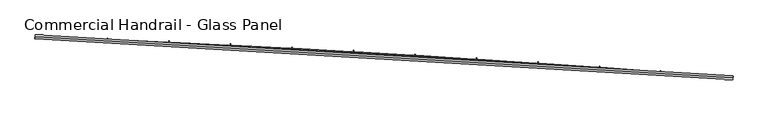
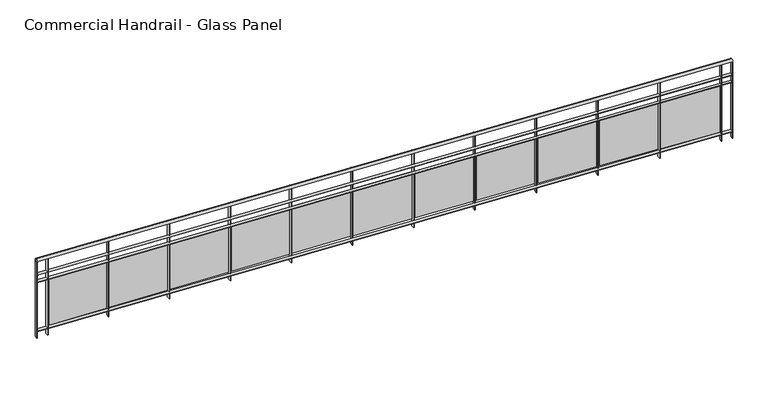
"""IFC4 building model written with IfcOpenShell, lengths in millimetres: railing geometry, Commercial Handrail - Glass Panel."""

import ifcopenshell
import ifcopenshell.guid

model = None  # the IFC model being written
_history = None  # IfcOwnerHistory: only IFC2X3 demands one
_inside = {}  # id of a spatial element -> (the spatial element, [elements in it])
_under = {}  # id of a project, library or spatial element -> (it, [spatial elements below it])
_declared = {}  # id of a project -> (the project, [libraries it declares])
_typed = {}  # id of a type object -> (the type object, [elements of that type])
_made_of = {}  # id of a material, layer set ... -> (it, [elements and type objects made of it])


def new_model(schema):
    """Start an empty IFC model of exactly this schema.

    Asked for "IFC4X3", IfcOpenShell would pick the latest addendum, in which some entities
    have other attributes; the version numbers below select the first issue.
    IFC2X3 requires an IfcOwnerHistory on every rooted entity: one is made here for all.
    """
    global model, _history
    if schema == "IFC4X3":
        model = ifcopenshell.file(schema_version=(4, 3, 0, 0))
    else:
        model = ifcopenshell.file(schema=schema)
    _inside.clear()
    _under.clear()
    _declared.clear()
    _typed.clear()
    _made_of.clear()
    _history = None
    if model.schema == "IFC2X3":
        org = make("IfcOrganization", Name="unknown")
        user = make(
            "IfcPersonAndOrganization",
            ThePerson=make("IfcPerson", FamilyName="unknown"),
            TheOrganization=org,
        )
        app = make(
            "IfcApplication",
            ApplicationDeveloper=org,
            Version="unknown",
            ApplicationFullName="unknown",
            ApplicationIdentifier="unknown",
        )
        _history = make(
            "IfcOwnerHistory",
            OwningUser=user,
            OwningApplication=app,
            ChangeAction="ADDED",
            CreationDate=0,
        )
    return model


def make(cls, **values):
    """One entity of the class cls with the attributes given. An attribute that is None is left unset."""
    return model.create_entity(
        cls, **{name: value for name, value in values.items() if value is not None}
    )


def rooted(cls, **values):
    """An entity with a GlobalId (a new one), such as an element, a storey or a relation."""
    return make(cls, GlobalId=ifcopenshell.guid.new(), OwnerHistory=_history, **values)


def si_unit(unit_type, name, prefix=None):
    """IfcSIUnit, for example si_unit("LENGTHUNIT", "METRE", prefix="MILLI")."""
    return make("IfcSIUnit", UnitType=unit_type, Prefix=prefix, Name=name)


def assignment(units):
    """IfcUnitAssignment: the units of a project."""
    return None if units is None else make("IfcUnitAssignment", Units=units)


def point(xyz):
    """IfcCartesianPoint."""
    return None if xyz is None else make("IfcCartesianPoint", Coordinates=xyz)


def direction(xyz):
    """IfcDirection."""
    return None if xyz is None else make("IfcDirection", DirectionRatios=xyz)


def frame(location, z_axis=None, x_axis=None):
    """IfcAxis2Placement3D, a coordinate frame: its origin and axes. An axis left out is left unset."""
    return make(
        "IfcAxis2Placement3D",
        Location=point(location),
        Axis=direction(z_axis),
        RefDirection=direction(x_axis),
    )


def origin():
    """The frame at (0, 0, 0) with its axes left unset."""
    return frame((0.0, 0.0, 0.0))


def place(relative_to, where):
    """IfcLocalPlacement: puts the frame where relative to a parent placement (None: the world)."""
    return make(
        "IfcLocalPlacement", PlacementRelTo=relative_to, RelativePlacement=where
    )


def context(
    kind, dimensions, precision=None, world=None, true_north=None, identifier=None
):
    """IfcGeometricRepresentationContext, for example the 3D "Model" context."""
    return make(
        "IfcGeometricRepresentationContext",
        ContextIdentifier=identifier,
        ContextType=kind,
        CoordinateSpaceDimension=dimensions,
        Precision=precision,
        WorldCoordinateSystem=world,
        TrueNorth=true_north,
    )


def project(units=None, contexts=None):
    """IfcProject with its units and contexts."""
    return rooted(
        "IfcProject",
        Name="project",
        RepresentationContexts=contexts,
        UnitsInContext=assignment(units),
    )


def spatial(cls, under=None, at=None, **own):
    """A site, building, storey or space (cls), placed at a placement, below another one or the project."""
    s = rooted(cls, ObjectPlacement=at, **own)
    if under is not None:
        _under.setdefault(under.id(), (under, []))[1].append(s)
    return s


def polyline(points):
    """IfcPolyline through the points."""
    return make("IfcPolyline", Points=[point(p) for p in points])


def circle_curve(where, radius):
    """IfcCircle in the frame where."""
    return make("IfcCircle", Position=where, Radius=radius)


def ellipse_curve(where, semi_axis1, semi_axis2):
    """IfcEllipse in the frame where."""
    return make(
        "IfcEllipse", Position=where, SemiAxis1=semi_axis1, SemiAxis2=semi_axis2
    )


def trimmed(basis, trim1, trim2, sense, master):
    """IfcTrimmedCurve: the piece of a basis curve between two trims."""
    return make(
        "IfcTrimmedCurve",
        BasisCurve=basis,
        Trim1=trim1,
        Trim2=trim2,
        SenseAgreement=sense,
        MasterRepresentation=master,
    )


def outline(outer, holes=None, kind="AREA"):
    """IfcArbitraryClosedProfileDef: a profile drawn as a closed curve; with holes, ...WithVoids."""
    if holes is None:
        return make("IfcArbitraryClosedProfileDef", ProfileType=kind, OuterCurve=outer)
    return make(
        "IfcArbitraryProfileDefWithVoids",
        ProfileType=kind,
        OuterCurve=outer,
        InnerCurves=holes,
    )


def extrude(swept, where, along, depth):
    """IfcExtrudedAreaSolid: the profile swept, set in the frame where, extruded along a direction by depth."""
    return make(
        "IfcExtrudedAreaSolid",
        SweptArea=swept,
        Position=where,
        ExtrudedDirection=direction(along),
        Depth=depth,
    )


def shape(context_of_items, identifier, shape_type, items):
    """IfcShapeRepresentation: the items that make up one representation, for example the "Body"."""
    return make(
        "IfcShapeRepresentation",
        ContextOfItems=context_of_items,
        RepresentationIdentifier=identifier,
        RepresentationType=shape_type,
        Items=items,
    )


def source(mapping_origin, context_of_items, identifier, shape_type, items):
    """IfcRepresentationMap: a shape defined once, which mapped items show again and again."""
    return make(
        "IfcRepresentationMap",
        MappingOrigin=mapping_origin,
        MappedRepresentation=shape(context_of_items, identifier, shape_type, items),
    )


def transform(
    local_origin,
    x_axis=None,
    y_axis=None,
    z_axis=None,
    scale=None,
    scale2=None,
    scale3=None,
    uniform=True,
):
    """IfcCartesianTransformationOperator3D, or its non-uniform kind. x_axis, y_axis, z_axis: its Axis1, 2, 3."""
    if uniform:
        return make(
            "IfcCartesianTransformationOperator3D",
            Axis1=direction(x_axis),
            Axis2=direction(y_axis),
            LocalOrigin=point(local_origin),
            Scale=scale,
            Axis3=direction(z_axis),
        )
    return make(
        "IfcCartesianTransformationOperator3DnonUniform",
        Axis1=direction(x_axis),
        Axis2=direction(y_axis),
        LocalOrigin=point(local_origin),
        Scale=scale,
        Axis3=direction(z_axis),
        Scale2=scale2,
        Scale3=scale3,
    )


def mapped(mapping_source, mapping_target):
    """IfcMappedItem: shows the shape of a source again, moved by a transform."""
    return make(
        "IfcMappedItem", MappingSource=mapping_source, MappingTarget=mapping_target
    )


def made_of(thing, what):
    """Note that an element or type object is made of a material, layer set ...; save() writes the relation."""
    if what is not None:
        _made_of.setdefault(what.id(), (what, []))[1].append(thing)
    return thing


def element(
    cls,
    number,
    at=None,
    inside=None,
    cuts=None,
    type_object=None,
    material=None,
    context=None,
    identifier="Body",
    shape_type=None,
    held_by="IfcProductDefinitionShape",
    body=None,
    shapes=None,
    **own,
):
    """One element of the class cls, such as IfcWall. Its Tag is "e" and its number.

    at: its placement. inside: the storey or other place that contains it. cuts: it is an
    opening in that element (IfcRelVoidsElement). A single representation is given by context,
    identifier, shape_type and body (its items); several are given by shapes. held_by: the class
    of the entity that holds the representations. save() writes the other relations.
    """
    e = rooted(cls, Tag="e%d" % number, ObjectPlacement=at, **own)
    if body is not None:
        shapes = [shape(context, identifier, shape_type, body)]
    if shapes is not None:
        e.Representation = make(held_by, Representations=shapes)
    if inside is not None:
        _inside.setdefault(inside.id(), (inside, []))[1].append(e)
    if cuts is not None:
        rooted(
            "IfcRelVoidsElement", RelatingBuildingElement=cuts, RelatedOpeningElement=e
        )
    if type_object is not None:
        _typed.setdefault(type_object.id(), (type_object, []))[1].append(e)
    return made_of(e, material)


def aggregate(whole, parts):
    """IfcRelAggregates: a whole, such as a stair, and the parts it consists of."""
    return rooted("IfcRelAggregates", RelatingObject=whole, RelatedObjects=parts)


def save(model, path):
    """Write the relations noted so far, then the file.

    IfcRelAggregates (storeys below a building ...), IfcRelContainedInSpatialStructure (elements
    in a storey), IfcRelDefinesByType, IfcRelAssociatesMaterial and IfcRelDeclares: one each for
    every whole, place, type object, material and project.
    """
    for whole, parts in _under.values():
        aggregate(whole, parts)
    for where, things in _inside.values():
        rooted(
            "IfcRelContainedInSpatialStructure",
            RelatedElements=things,
            RelatingStructure=where,
        )
    for kind, things in _typed.values():
        rooted("IfcRelDefinesByType", RelatedObjects=things, RelatingType=kind)
    for what, things in _made_of.values():
        rooted("IfcRelAssociatesMaterial", RelatedObjects=things, RelatingMaterial=what)
    for by, libraries in _declared.values():
        rooted("IfcRelDeclares", RelatingContext=by, RelatedDefinitions=libraries)
    model.write(path)


def plane_surface(at):
    """IfcPlane: the flat surface through the origin of the frame at, square to its z axis."""
    return make("IfcPlane", Position=at)


def cylinder_surface(at, radius):
    """IfcCylindricalSurface: all points at the distance radius from the z axis of the frame at."""
    return make("IfcCylindricalSurface", Position=at, Radius=radius)


def revolved_surface(curve, axis_point, axis_direction):
    """IfcSurfaceOfRevolution: the curve turned about the line through axis_point along axis_direction."""
    return make(
        "IfcSurfaceOfRevolution",
        SweptCurve=make("IfcArbitraryOpenProfileDef", ProfileType="CURVE", Curve=curve),
        AxisPosition=make("IfcAxis1Placement", Location=point(axis_point), Axis=direction(axis_direction)),
    )


def advanced_brep(points, edges, surfaces, faces):
    """IfcAdvancedBrep: a solid bounded by faces that lie on surfaces and meet in shared edges.

    An edge is (start, end): straight between two places in points (the first is 0);
    or (start, end, curve); or (start, end, curve, False) where it runs against its curve.
    A face is (place in surfaces, loops), or (place, loops, False) where it looks against
    its surface's normal. A loop lists edges by number (the first is 1), with a minus sign
    where the edge is run from its end to its start. The first loop is the outer one.
    """
    corners = [point(p) for p in points]
    vertices = [make("IfcVertexPoint", VertexGeometry=c) for c in corners]
    made = []
    for start, end, *more in edges:
        made.append(
            make(
                "IfcEdgeCurve",
                EdgeStart=vertices[start],
                EdgeEnd=vertices[end],
                EdgeGeometry=more[0] if more else make("IfcPolyline", Points=[corners[start], corners[end]]),
                SameSense=more[1] if len(more) > 1 else True,
            )
        )
    hull = []
    for where, loops, *sense in faces:
        bounds = []
        for j, loop in enumerate(loops):
            ring = [make("IfcOrientedEdge", EdgeElement=made[abs(k) - 1], Orientation=k > 0) for k in loop]
            bounds.append(
                make(
                    "IfcFaceOuterBound" if j == 0 else "IfcFaceBound",
                    Bound=make("IfcEdgeLoop", EdgeList=ring),
                    Orientation=True,
                )
            )
        hull.append(make("IfcAdvancedFace", Bounds=bounds, FaceSurface=surfaces[where], SameSense=sense[0] if sense else True))
    return make("IfcAdvancedBrep", Outer=make("IfcClosedShell", CfsFaces=hull))


def commercial_handrail_glass_panel_9d177dbd(model_context):
    return source(origin(), model_context, "Body", "SolidModel", [
        advanced_brep(
        [(118318.4035087, -32849.2717188, 6082.5), (127382.7214131, -33380.8122629, 6082.5), (127382.7214131, -33380.8122629, 6117.5), (118318.4035087, -32849.2717188, 6117.5)],
        [
            (0, 1, circle_curve(frame((108840.1585672, -272033.3263712, 6082.5), z_axis=(0.0, 0.0, -1.0), x_axis=(0.07746344550314502, 0.9969951928724538, 0.0)), 239371.7801395)),
            (1, 2, ellipse_curve(frame((127382.7214131, -33380.8122629, 6100.0), z_axis=(-0.9969951928724543, 0.07746344550313858, 0.0), x_axis=(0.07746344550313858, 0.9969951928724543, 0.0)), 25.0, 17.5)),
            (2, 3, circle_curve(frame((108840.1585672, -272033.3263712, 6117.5), z_axis=(0.0, 0.0, 1.0), x_axis=(0.07746344550314502, 0.9969951928724538, 0.0)), 239371.7801395)),
            (3, 0, ellipse_curve(frame((118318.4035087, -32849.2717188, 6100.0), z_axis=(0.9992157576513465, -0.03959633393694332, 0.0), x_axis=(0.03959633393694331, 0.9992157576513463, 0.0)), 25.0, 17.5)),
            (2, 1, ellipse_curve(frame((127382.7214131, -33380.8122629, 6100.0), z_axis=(-0.9969951928724543, 0.07746344550313858, 0.0), x_axis=(0.07746344550313858, 0.9969951928724543, 0.0)), 25.0, 17.5)),
            (0, 3, ellipse_curve(frame((118318.4035087, -32849.2717188, 6100.0), z_axis=(0.9992157576513465, -0.03959633393694332, 0.0), x_axis=(0.03959633393694331, 0.9992157576513463, 0.0)), 25.0, 17.5)),
        ],
        [
            revolved_surface(trimmed(ellipse_curve(frame((127382.7214131, -33380.8122629, 6100.0), z_axis=(0.9969951928724538, -0.07746344550314502, 0.0), x_axis=(0.0, 0.0, -1.0)), 17.5, 25.0), [point((127382.7214131, -33380.8122629, 6117.5))], [point((127382.7214131, -33380.8122629, 6082.5))], True, "CARTESIAN"), (108840.1585672, -272033.3263712, 6100.0), (0.0, 0.0, 1.0)),
            revolved_surface(trimmed(ellipse_curve(frame((127382.7214131, -33380.8122629, 6100.0), z_axis=(0.9969951928724538, -0.07746344550314502, 0.0), x_axis=(0.0, 0.0, -1.0)), 17.5, 25.0), [point((127382.7214131, -33380.8122629, 6082.5))], [point((127382.7214131, -33380.8122629, 6117.5))], True, "CARTESIAN"), (108840.1585672, -272033.3263712, 6100.0), (0.0, 0.0, 1.0)),
            plane_surface(frame((127382.7214131, -33380.8122629, 6100.0), z_axis=(0.9969951928724538, -0.07746344550314502, 0.0), x_axis=(0.07746344550314502, 0.9969951928724538, 0.0))),
            plane_surface(frame((118318.4035087, -32849.2717188, 6100.0), z_axis=(-0.9992157576513464, 0.03959633393694337, 0.0), x_axis=(0.03959633393694337, 0.9992157576513464, 0.0))),
        ],
        [
            (0, [[1, 2, 3, 4]]),
            (1, [[-3, 5, -1, 6]]),
            (2, [[-2, -5]]),
            (3, [[-6, -4]]),
        ],
    ),
        advanced_brep(
        [(118317.5125912, -32871.7540734, 5900.0), (127380.9784855, -33403.2446547, 5900.0), (127384.4643406, -33358.379871, 5900.0), (118319.2944262, -32826.7893643, 5900.0), (118317.5125912, -32871.7540734, 5894.0), (127380.9784855, -33403.2446547, 5894.0), (118319.2944262, -32826.7893643, 5894.0), (127384.4643406, -33358.379871, 5894.0)],
        [
            (0, 1, circle_curve(frame((108840.1585672, -272033.3263712, 5900.0), z_axis=(0.0, 0.0, -1.0), x_axis=(0.07746344550314502, 0.9969951928724538, 0.0)), 239349.2801395)),
            (1, 2),
            (2, 3, circle_curve(frame((108840.1585672, -272033.3263712, 5900.0), z_axis=(0.0, 0.0, 1.0), x_axis=(0.07746344550314502, 0.9969951928724538, 0.0)), 239394.2801395)),
            (3, 0),
            (4, 5, circle_curve(frame((108840.1585672, -272033.3263712, 5894.0), z_axis=(0.0, 0.0, -1.0), x_axis=(0.07746344550314502, 0.9969951928724538, 0.0)), 239349.2801395)),
            (5, 1),
            (0, 4),
            (6, 7, circle_curve(frame((108840.1585672, -272033.3263712, 5894.0), z_axis=(0.0, 0.0, -1.0), x_axis=(0.07746344550314502, 0.9969951928724538, 0.0)), 239394.2801395)),
            (7, 5),
            (4, 6),
            (2, 7),
            (6, 3),
        ],
        [
            plane_surface(frame((108840.1585672, -272033.3263712, 5900.0), z_axis=(0.0, 0.0, 1.0), x_axis=(0.07746344550314502, 0.9969951928724538, 0.0))),
            revolved_surface(polyline([(127380.97848550315, -33403.24465463619, 5900.0), (127380.97848550315, -33403.24465463619, 5894.0)]), (108840.1585672, -272033.3263712, 5900.0), (0.0, 0.0, 1.0)),
            plane_surface(frame((108840.1585672, -272033.3263712, 5894.0), z_axis=(0.0, 0.0, -1.0), x_axis=(0.07746344550314502, 0.9969951928724538, 0.0))),
            cylinder_surface(frame((108840.1585672, -272033.3263712, 5900.0), z_axis=(0.0, 0.0, 1.0), x_axis=(0.07746344550314502, 0.9969951928724538, 0.0)), 239394.2801395),
            plane_surface(frame((127382.7214131, -33380.8122629, 5900.0), z_axis=(0.9969951928724538, -0.07746344550314502, 0.0), x_axis=(0.07746344550314502, 0.9969951928724538, 0.0))),
            plane_surface(frame((118318.4035087, -32849.2717188, 5900.0), z_axis=(-0.9992157576513464, 0.03959633393694337, 0.0), x_axis=(0.03959633393694337, 0.9992157576513464, 0.0))),
        ],
        [
            (0, [[1, 2, 3, 4]]),
            (1, [[5, 6, -1, 7]]),
            (2, [[8, 9, -5, 10]]),
            (3, [[-3, 11, -8, 12]]),
            (4, [[-2, -6, -9, -11]]),
            (5, [[-12, -10, -7, -4]]),
        ],
    ),
        advanced_brep(
        [(118317.5125912, -32871.7540734, 5800.0), (127380.9784855, -33403.2446547, 5800.0), (127384.4643406, -33358.379871, 5800.0), (118319.2944262, -32826.7893643, 5800.0), (118317.5125912, -32871.7540734, 5794.0), (127380.9784855, -33403.2446547, 5794.0), (118319.2944262, -32826.7893643, 5794.0), (127384.4643406, -33358.379871, 5794.0)],
        [
            (0, 1, circle_curve(frame((108840.1585672, -272033.3263712, 5800.0), z_axis=(0.0, 0.0, -1.0), x_axis=(0.07746344550314502, 0.9969951928724538, 0.0)), 239349.2801395)),
            (1, 2),
            (2, 3, circle_curve(frame((108840.1585672, -272033.3263712, 5800.0), z_axis=(0.0, 0.0, 1.0), x_axis=(0.07746344550314502, 0.9969951928724538, 0.0)), 239394.2801395)),
            (3, 0),
            (4, 5, circle_curve(frame((108840.1585672, -272033.3263712, 5794.0), z_axis=(0.0, 0.0, -1.0), x_axis=(0.07746344550314502, 0.9969951928724538, 0.0)), 239349.2801395)),
            (5, 1),
            (0, 4),
            (6, 7, circle_curve(frame((108840.1585672, -272033.3263712, 5794.0), z_axis=(0.0, 0.0, -1.0), x_axis=(0.07746344550314502, 0.9969951928724538, 0.0)), 239394.2801395)),
            (7, 5),
            (4, 6),
            (2, 7),
            (6, 3),
        ],
        [
            plane_surface(frame((108840.1585672, -272033.3263712, 5800.0), z_axis=(0.0, 0.0, 1.0), x_axis=(0.07746344550314502, 0.9969951928724538, 0.0))),
            revolved_surface(polyline([(127380.97848550315, -33403.24465463619, 5800.0), (127380.97848550315, -33403.24465463619, 5794.0)]), (108840.1585672, -272033.3263712, 5800.0), (0.0, 0.0, 1.0)),
            plane_surface(frame((108840.1585672, -272033.3263712, 5794.0), z_axis=(0.0, 0.0, -1.0), x_axis=(0.07746344550314502, 0.9969951928724538, 0.0))),
            cylinder_surface(frame((108840.1585672, -272033.3263712, 5800.0), z_axis=(0.0, 0.0, 1.0), x_axis=(0.07746344550314502, 0.9969951928724538, 0.0)), 239394.2801395),
            plane_surface(frame((127382.7214131, -33380.8122629, 5800.0), z_axis=(0.9969951928724538, -0.07746344550314502, 0.0), x_axis=(0.07746344550314502, 0.9969951928724538, 0.0))),
            plane_surface(frame((118318.4035087, -32849.2717188, 5800.0), z_axis=(-0.9992157576513464, 0.03959633393694337, 0.0), x_axis=(0.03959633393694337, 0.9992157576513464, 0.0))),
        ],
        [
            (0, [[1, 2, 3, 4]]),
            (1, [[5, 6, -1, 7]]),
            (2, [[8, 9, -5, 10]]),
            (3, [[-3, 11, -8, 12]]),
            (4, [[-2, -6, -9, -11]]),
            (5, [[-12, -10, -7, -4]]),
        ],
    ),
        advanced_brep(
        [(118317.5125912, -32871.7540734, 5100.0), (127380.9784855, -33403.2446547, 5100.0), (127384.4643406, -33358.379871, 5100.0), (118319.2944262, -32826.7893643, 5100.0), (118317.5125912, -32871.7540734, 5094.0), (127380.9784855, -33403.2446547, 5094.0), (118319.2944262, -32826.7893643, 5094.0), (127384.4643406, -33358.379871, 5094.0)],
        [
            (0, 1, circle_curve(frame((108840.1585672, -272033.3263712, 5100.0), z_axis=(0.0, 0.0, -1.0), x_axis=(0.07746344550314502, 0.9969951928724538, 0.0)), 239349.2801395)),
            (1, 2),
            (2, 3, circle_curve(frame((108840.1585672, -272033.3263712, 5100.0), z_axis=(0.0, 0.0, 1.0), x_axis=(0.07746344550314502, 0.9969951928724538, 0.0)), 239394.2801395)),
            (3, 0),
            (4, 5, circle_curve(frame((108840.1585672, -272033.3263712, 5094.0), z_axis=(0.0, 0.0, -1.0), x_axis=(0.07746344550314502, 0.9969951928724538, 0.0)), 239349.2801395)),
            (5, 1),
            (0, 4),
            (6, 7, circle_curve(frame((108840.1585672, -272033.3263712, 5094.0), z_axis=(0.0, 0.0, -1.0), x_axis=(0.07746344550314502, 0.9969951928724538, 0.0)), 239394.2801395)),
            (7, 5),
            (4, 6),
            (2, 7),
            (6, 3),
        ],
        [
            plane_surface(frame((108840.1585672, -272033.3263712, 5100.0), z_axis=(0.0, 0.0, 1.0), x_axis=(0.07746344550314502, 0.9969951928724538, 0.0))),
            revolved_surface(polyline([(127380.97848550315, -33403.24465463619, 5100.0), (127380.97848550315, -33403.24465463619, 5094.0)]), (108840.1585672, -272033.3263712, 5100.0), (0.0, 0.0, 1.0)),
            plane_surface(frame((108840.1585672, -272033.3263712, 5094.0), z_axis=(0.0, 0.0, -1.0), x_axis=(0.07746344550314502, 0.9969951928724538, 0.0))),
            cylinder_surface(frame((108840.1585672, -272033.3263712, 5100.0), z_axis=(0.0, 0.0, 1.0), x_axis=(0.07746344550314502, 0.9969951928724538, 0.0)), 239394.2801395),
            plane_surface(frame((127382.7214131, -33380.8122629, 5100.0), z_axis=(0.9969951928724538, -0.07746344550314502, 0.0), x_axis=(0.07746344550314502, 0.9969951928724538, 0.0))),
            plane_surface(frame((118318.4035087, -32849.2717188, 5100.0), z_axis=(-0.9992157576513464, 0.03959633393694337, 0.0), x_axis=(0.03959633393694337, 0.9992157576513464, 0.0))),
        ],
        [
            (0, [[1, 2, 3, 4]]),
            (1, [[5, 6, -1, 7]]),
            (2, [[8, 9, -5, 10]]),
            (3, [[-3, 11, -8, 12]]),
            (4, [[-2, -6, -9, -11]]),
            (5, [[-12, -10, -7, -4]]),
        ],
    ),
        extrude(outline(polyline([(118462.4105775, -32832.5035492), (118460.6024038, -32877.4672068), (118454.6072494, -32877.226117), (118456.4154232, -32832.2624594), (118462.4105775, -32832.5035492)])), frame((0.0, 0.0, 5000.0), z_axis=(0.0, 0.0, 1.0), x_axis=(1.0, 0.0, 0.0)), (0.0, 0.0, 1.0), 1082.1192282),
        extrude(outline(polyline([(119237.5882112, -32893.169646), (118478.2540839, -32861.3626786), (118478.7562992, -32849.3731924), (119238.0904265, -32881.1801598), (119237.5882112, -32893.169646)])), frame((0.0, 0.0, 5120.0), z_axis=(0.0, 0.0, 1.0), x_axis=(1.0, 0.0, 0.0)), (0.0, 0.0, 1.0), 660.0),
        extrude(outline(polyline([(119261.7839982, -32865.9977164), (119259.8255626, -32910.9550799), (119253.8312475, -32910.6939552), (119255.789683, -32865.7365917), (119261.7839982, -32865.9977164)])), frame((0.0, 0.0, 5000.0), z_axis=(0.0, 0.0, 1.0), x_axis=(1.0, 0.0, 0.0)), (0.0, 0.0, 1.0), 1082.1192282),
        extrude(outline(polyline([(120036.754552, -32929.2541764), (119277.5309667, -32894.9096349), (119278.0732489, -32882.9218941), (120037.2968342, -32917.2664356), (120036.754552, -32929.2541764)])), frame((0.0, 0.0, 5120.0), z_axis=(0.0, 0.0, 1.0), x_axis=(1.0, 0.0, 0.0)), (0.0, 0.0, 1.0), 660.0),
        extrude(outline(polyline([(120061.0410145, -32902.1632628), (120058.932339, -32947.1138299), (120052.93893, -32946.8326732), (120055.0476055, -32901.8821061), (120061.0410145, -32902.1632628)])), frame((0.0, 0.0, 5000.0), z_axis=(0.0, 0.0, 1.0), x_axis=(1.0, 0.0, 0.0)), (0.0, 0.0, 1.0), 1082.1192282),
        extrude(outline(polyline([(120835.7958324, -32968.0093795), (120076.6912693, -32931.1276473), (120077.2736124, -32919.1417858), (120836.3781756, -32956.0235179), (120835.7958324, -32968.0093795)])), frame((0.0, 0.0, 5120.0), z_axis=(0.0, 0.0, 1.0), x_axis=(1.0, 0.0, 0.0)), (0.0, 0.0, 1.0), 660.0),
        extrude(outline(polyline([(120860.1726992, -32940.9997843), (120857.9138072, -32985.943053), (120851.9213714, -32985.6418675), (120854.1802633, -32940.6985987), (120860.1726992, -32940.9997843)])), frame((0.0, 0.0, 5000.0), z_axis=(0.0, 0.0, 1.0), x_axis=(1.0, 0.0, 0.0)), (0.0, 0.0, 1.0), 1082.1192282),
        extrude(outline(polyline([(121634.7031276, -33009.4348222), (120875.7260654, -32970.0163114), (120876.3484629, -32958.032463), (121635.3255252, -32997.4509738), (121634.7031276, -33009.4348222)])), frame((0.0, 0.0, 5120.0), z_axis=(0.0, 0.0, 1.0), x_axis=(1.0, 0.0, 0.0)), (0.0, 0.0, 1.0), 660.0),
        extrude(outline(polyline([(121659.1701263, -32982.5068471), (121656.7610432, -33027.4423155), (121650.7696474, -33027.1211044), (121653.1787305, -32982.1856361), (121659.1701263, -32982.5068471)])), frame((0.0, 0.0, 5000.0), z_axis=(0.0, 0.0, 1.0), x_axis=(1.0, 0.0, 0.0)), (0.0, 0.0, 1.0), 1082.1192282),
        extrude(outline(polyline([(122433.4675142, -33053.5300418), (121674.6264303, -33011.5751927), (121675.2888752, -32999.5934914), (122434.1299592, -33041.5483405), (122433.4675142, -33053.5300418)])), frame((0.0, 0.0, 5120.0), z_axis=(0.0, 0.0, 1.0), x_axis=(1.0, 0.0, 0.0)), (0.0, 0.0, 1.0), 660.0),
        extrude(outline(polyline([(122458.0243716, -33026.6839877), (122455.4651242, -33071.6111538), (122449.4748354, -33071.2699209), (122452.0340827, -33026.3427548), (122458.0243716, -33026.6839877)])), frame((0.0, 0.0, 5000.0), z_axis=(0.0, 0.0, 1.0), x_axis=(1.0, 0.0, 0.0)), (0.0, 0.0, 1.0), 1082.1192282),
        extrude(outline(polyline([(123232.0800703, -33100.2945459), (122473.3834406, -33055.8038271), (122474.0859256, -33043.8244066), (123232.7825553, -33088.3151255), (123232.0800703, -33100.2945459)])), frame((0.0, 0.0, 5120.0), z_axis=(0.0, 0.0, 1.0), x_axis=(1.0, 0.0, 0.0)), (0.0, 0.0, 1.0), 660.0),
        extrude(outline(polyline([(123256.726512, -33073.5307127), (123254.017129, -33118.4490746), (123248.0280141, -33118.0878236), (123250.7373971, -33073.1694616), (123256.726512, -33073.5307127)])), frame((0.0, 0.0, 5000.0), z_axis=(0.0, 0.0, 1.0), x_axis=(1.0, 0.0, 0.0)), (0.0, 0.0, 1.0), 1082.1192282),
        extrude(outline(polyline([(124030.5318758, -33149.7278122), (123271.9881746, -33102.7017206), (123272.7306918, -33090.7247148), (124031.2743931, -33137.7508064), (124030.5318758, -33149.7278122)])), frame((0.0, 0.0, 5120.0), z_axis=(0.0, 0.0, 1.0), x_axis=(1.0, 0.0, 0.0)), (0.0, 0.0, 1.0), 660.0),
        extrude(outline(polyline([(124055.2676267, -33123.0464986), (124052.4081383, -33167.9555548), (124046.4202641, -33167.5742897), (124049.2797526, -33122.6652335), (124055.2676267, -33123.0464986)])), frame((0.0, 0.0, 5000.0), z_axis=(0.0, 0.0, 1.0), x_axis=(1.0, 0.0, 0.0)), (0.0, 0.0, 1.0), 1082.1192282),
        extrude(outline(polyline([(124828.8140126, -33201.8292884), (124070.4317123, -33152.2683493), (124071.2142535, -33140.2938919), (124829.5965537, -33189.854831), (124828.8140126, -33201.8292884)])), frame((0.0, 0.0, 5120.0), z_axis=(0.0, 0.0, 1.0), x_axis=(1.0, 0.0, 0.0)), (0.0, 0.0, 1.0), 660.0),
        extrude(outline(polyline([(124853.6387962, -33175.2307926), (124850.6292343, -33220.1300413), (124844.6426678, -33219.7287664), (124847.6522297, -33174.8295177), (124853.6387962, -33175.2307926)])), frame((0.0, 0.0, 5000.0), z_axis=(0.0, 0.0, 1.0), x_axis=(1.0, 0.0, 0.0)), (0.0, 0.0, 1.0), 1082.1192282),
        extrude(outline(polyline([(125626.917564, -33256.5983926), (124868.7051355, -33204.5031595), (124869.5276919, -33192.5313844), (125627.7401203, -33244.6266175), (125626.917564, -33256.5983926)])), frame((0.0, 0.0, 5120.0), z_axis=(0.0, 0.0, 1.0), x_axis=(1.0, 0.0, 0.0)), (0.0, 0.0, 1.0), 660.0),
        extrude(outline(polyline([(125651.8311032, -33230.0830117), (125648.6715014, -33274.9719515), (125642.6863095, -33274.5506713), (125645.8459113, -33229.6617315), (125651.8311032, -33230.0830117)])), frame((0.0, 0.0, 5000.0), z_axis=(0.0, 0.0, 1.0), x_axis=(1.0, 0.0, 0.0)), (0.0, 0.0, 1.0), 1082.1192282),
        extrude(outline(polyline([(126424.8336158, -33314.0345132), (125666.7995279, -33259.405568), (125667.6620902, -33247.4366087), (126425.6961781, -33302.0655539), (126424.8336158, -33314.0345132)])), frame((0.0, 0.0, 5120.0), z_axis=(0.0, 0.0, 1.0), x_axis=(1.0, 0.0, 0.0)), (0.0, 0.0, 1.0), 660.0),
        extrude(outline(polyline([(126449.8356323, -33287.6025432), (126446.5260259, -33332.4806727), (126440.5422753, -33332.0393919), (126443.8518817, -33287.1612624), (126449.8356323, -33287.6025432)])), frame((0.0, 0.0, 5000.0), z_axis=(0.0, 0.0, 1.0), x_axis=(1.0, 0.0, 0.0)), (0.0, 0.0, 1.0), 1082.1192282),
        extrude(outline(polyline([(127222.5532556, -33374.1370085), (126464.7059752, -33316.9749614), (126465.6085338, -33305.0089517), (127223.4558142, -33362.1709988), (127222.5532556, -33374.1370085)])), frame((0.0, 0.0, 5120.0), z_axis=(0.0, 0.0, 1.0), x_axis=(1.0, 0.0, 0.0)), (0.0, 0.0, 1.0), 660.0),
        extrude(outline(polyline([(127247.64347, -33347.7887447), (127244.1838961, -33392.6555626), (127238.2016537, -33392.1942861), (127241.6612277, -33347.3274682), (127247.64347, -33347.7887447)])), frame((0.0, 0.0, 5000.0), z_axis=(0.0, 0.0, 1.0), x_axis=(1.0, 0.0, 0.0)), (0.0, 0.0, 1.0), 1082.1192282),
        extrude(outline(polyline([(118322.2920735, -32826.9081533), (118320.5102385, -32871.8728624), (118314.5149439, -32871.6352844), (118316.296779, -32826.6705753), (118322.2920735, -32826.9081533)])), frame((0.0, 0.0, 5000.0), z_axis=(0.0, 0.0, 1.0), x_axis=(1.0, 0.0, 0.0)), (0.0, 0.0, 1.0), 1082.1192282),
        extrude(outline(polyline([(127387.4553262, -33358.6122614), (127383.9694711, -33403.477045), (127377.9875, -33403.0122644), (127381.473355, -33358.1474807), (127387.4553262, -33358.6122614)])), frame((0.0, 0.0, 5000.0), z_axis=(0.0, 0.0, 1.0), x_axis=(1.0, 0.0, 0.0)), (0.0, 0.0, 1.0), 1082.1192282),
    ])


if __name__ == "__main__":
    model = new_model("IFC4")
    model_context = context("Model", 3, world=origin())
    ifc_project = project(units=[si_unit("LENGTHUNIT", "METRE", prefix="MILLI")], contexts=[model_context])
    site = spatial("IfcSite", under=ifc_project)
    building = spatial("IfcBuilding", under=site)
    placement = place(None, origin())
    commercial_handrail_glass_panel_shape = commercial_handrail_glass_panel_9d177dbd(model_context)
    element("IfcRailing", 1, ObjectType="Commercial Handrail - Glass Panel", at=placement, inside=building, context=model_context, shape_type="MappedRepresentation", body=[
        mapped(commercial_handrail_glass_panel_shape, transform((0.0, 0.0, 0.0), x_axis=(1.0, 0.0, 0.0), y_axis=(0.0, 1.0, 0.0), z_axis=(0.0, 0.0, 1.0))),
    ])
    save(model, "model.ifc")
